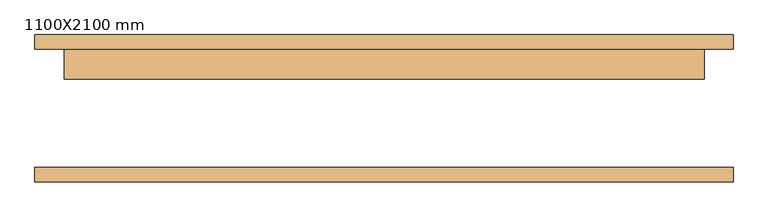
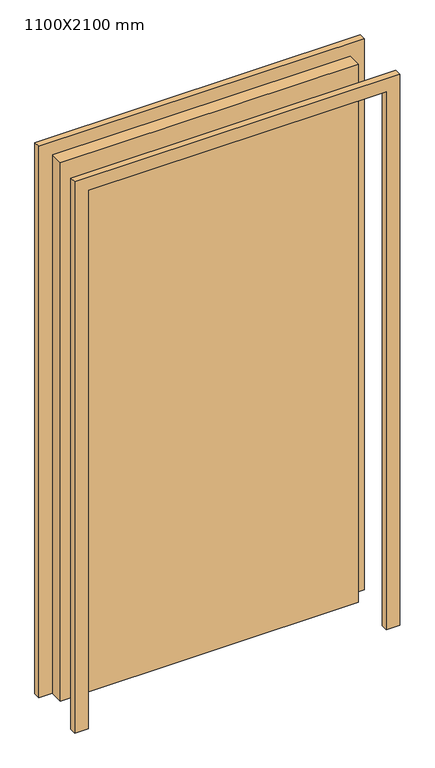
"""IFC4 building model written with IfcOpenShell, lengths in millimetres: door geometry, 1100X2100 mm."""

from ifc_helpers import new_model, si_unit, frame, origin, origin_with_axes, place, context, project, spatial, polyline, outline, extrude, source, transform, mapped, element, save


def door_1100x2100_mm_18792538(model_context):
    return source(origin(), model_context, "Body", "SweptSolid", [
        extrude(outline(polyline([(2150.0, -600.0), (0.0, -600.0), (0.0, -550.0), (2100.0, -550.0), (2100.0, 550.0), (0.0, 550.0), (0.0, 600.0), (2150.0, 600.0), (2150.0, -600.0)])), frame((0.0, 101.6, 0.0), z_axis=(0.0, 1.0, 0.0), x_axis=(0.0, 0.0, 1.0)), (0.0, 0.0, 1.0), 25.0),
        extrude(outline(polyline([(2150.0, 600.0), (2150.0, -600.0), (0.0, -600.0), (0.0, -550.0), (2100.0, -550.0), (2100.0, 550.0), (0.0, 550.0), (0.0, 600.0), (2150.0, 600.0)])), frame((0.0, -126.6, 0.0), z_axis=(0.0, 1.0, 0.0), x_axis=(0.0, 0.0, 1.0)), (0.0, 0.0, 1.0), 25.0),
        extrude(outline(polyline([(550.0, 50.6), (-550.0, 50.6), (-550.0, 101.6), (550.0, 101.6), (550.0, 50.6)])), origin_with_axes(), (0.0, 0.0, 1.0), 2100.0),
    ])


if __name__ == "__main__":
    model = new_model("IFC4")
    model_context = context("Model", 3, world=origin())
    ifc_project = project(units=[si_unit("LENGTHUNIT", "METRE", prefix="MILLI")], contexts=[model_context])
    site = spatial("IfcSite", under=ifc_project)
    building = spatial("IfcBuilding", under=site)
    placement = place(None, origin())
    door_1100x2100_mm_shape = door_1100x2100_mm_18792538(model_context)
    element("IfcDoor", 1, ObjectType="1100X2100 mm", at=placement, inside=building, context=model_context, shape_type="MappedRepresentation", body=[
        mapped(door_1100x2100_mm_shape, transform((0.0, 0.0, 0.0), x_axis=(1.0, 0.0, 0.0), y_axis=(0.0, 1.0, 0.0), z_axis=(0.0, 0.0, 1.0))),
    ])
    save(model, "model.ifc")
